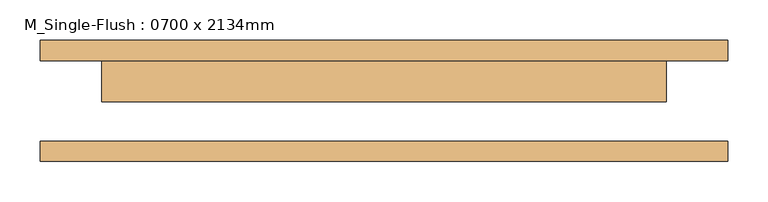
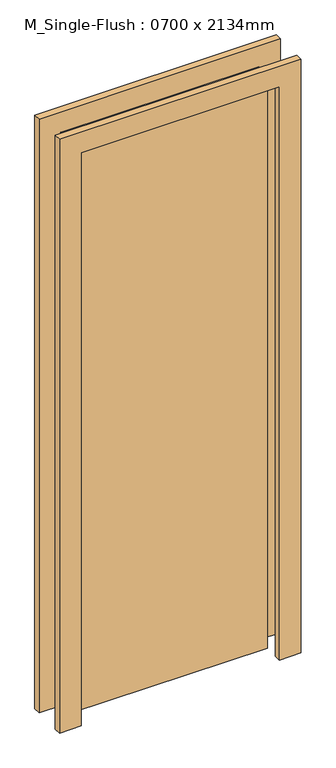
"""IFC4 building model written with IfcOpenShell, lengths in millimetres: door geometry, M_Single-Flush : 0700 x 2134mm."""

from ifc_helpers import new_model, si_unit, frame, origin, origin_with_axes, place, context, project, spatial, polyline, outline, extrude, source, transform, mapped, element, save


def m_single_flush_0700_x_2134mm_0f169e26(model_context):
    return source(origin(), model_context, "Body", "SweptSolid", [
        extrude(outline(polyline([(2210.0, -426.0), (0.0, -426.0), (0.0, -350.0), (2134.0, -350.0), (2134.0, 350.0), (0.0, 350.0), (0.0, 426.0), (2210.0, 426.0), (2210.0, -426.0)])), frame((0.0, 50.0, 0.0), z_axis=(0.0, 1.0, 0.0), x_axis=(0.0, 0.0, 1.0)), (0.0, 0.0, 1.0), 25.0),
        extrude(outline(polyline([(2210.0, 426.0), (2210.0, -426.0), (0.0, -426.0), (0.0, -350.0), (2134.0, -350.0), (2134.0, 350.0), (0.0, 350.0), (0.0, 426.0), (2210.0, 426.0)])), frame((0.0, -75.0, 0.0), z_axis=(0.0, 1.0, 0.0), x_axis=(0.0, 0.0, 1.0)), (0.0, 0.0, 1.0), 25.0),
        extrude(outline(polyline([(350.0, -1.0), (-350.0, -1.0), (-350.0, 50.0), (350.0, 50.0), (350.0, -1.0)])), origin_with_axes(), (0.0, 0.0, 1.0), 2134.0),
    ])


if __name__ == "__main__":
    model = new_model("IFC4")
    model_context = context("Model", 3, world=origin())
    ifc_project = project(units=[si_unit("LENGTHUNIT", "METRE", prefix="MILLI")], contexts=[model_context])
    site = spatial("IfcSite", under=ifc_project)
    building = spatial("IfcBuilding", under=site)
    placement = place(None, origin())
    m_single_flush_0700_x_2134mm_shape = m_single_flush_0700_x_2134mm_0f169e26(model_context)
    element("IfcDoor", 1, ObjectType="M_Single-Flush : 0700 x 2134mm", at=placement, inside=building, context=model_context, shape_type="MappedRepresentation", body=[
        mapped(m_single_flush_0700_x_2134mm_shape, transform((0.0, 0.0, 0.0), x_axis=(1.0, 0.0, 0.0), y_axis=(0.0, 1.0, 0.0), z_axis=(0.0, 0.0, 1.0))),
    ])
    save(model, "model.ifc")
